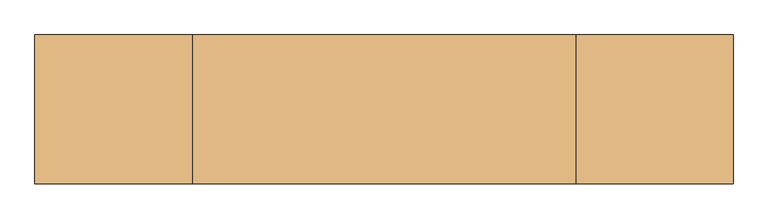
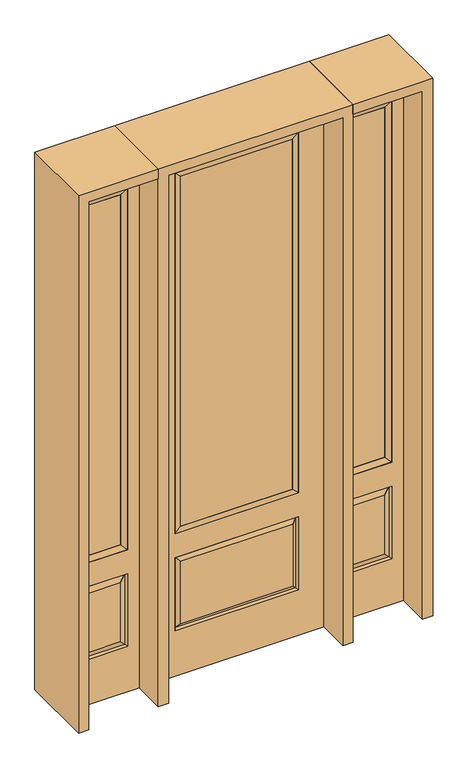
"""IFC4 building model written with IfcOpenShell, lengths in millimetres: door geometry."""

import ifcopenshell
import ifcopenshell.guid

model = None  # the IFC model being written
_history = None  # IfcOwnerHistory: only IFC2X3 demands one
_inside = {}  # id of a spatial element -> (the spatial element, [elements in it])
_under = {}  # id of a project, library or spatial element -> (it, [spatial elements below it])
_declared = {}  # id of a project -> (the project, [libraries it declares])
_typed = {}  # id of a type object -> (the type object, [elements of that type])
_made_of = {}  # id of a material, layer set ... -> (it, [elements and type objects made of it])


def new_model(schema):
    """Start an empty IFC model of exactly this schema.

    Asked for "IFC4X3", IfcOpenShell would pick the latest addendum, in which some entities
    have other attributes; the version numbers below select the first issue.
    IFC2X3 requires an IfcOwnerHistory on every rooted entity: one is made here for all.
    """
    global model, _history
    if schema == "IFC4X3":
        model = ifcopenshell.file(schema_version=(4, 3, 0, 0))
    else:
        model = ifcopenshell.file(schema=schema)
    _inside.clear()
    _under.clear()
    _declared.clear()
    _typed.clear()
    _made_of.clear()
    _history = None
    if model.schema == "IFC2X3":
        org = make("IfcOrganization", Name="unknown")
        user = make(
            "IfcPersonAndOrganization",
            ThePerson=make("IfcPerson", FamilyName="unknown"),
            TheOrganization=org,
        )
        app = make(
            "IfcApplication",
            ApplicationDeveloper=org,
            Version="unknown",
            ApplicationFullName="unknown",
            ApplicationIdentifier="unknown",
        )
        _history = make(
            "IfcOwnerHistory",
            OwningUser=user,
            OwningApplication=app,
            ChangeAction="ADDED",
            CreationDate=0,
        )
    return model


def make(cls, **values):
    """One entity of the class cls with the attributes given. An attribute that is None is left unset."""
    return model.create_entity(
        cls, **{name: value for name, value in values.items() if value is not None}
    )


def rooted(cls, **values):
    """An entity with a GlobalId (a new one), such as an element, a storey or a relation."""
    return make(cls, GlobalId=ifcopenshell.guid.new(), OwnerHistory=_history, **values)


def si_unit(unit_type, name, prefix=None):
    """IfcSIUnit, for example si_unit("LENGTHUNIT", "METRE", prefix="MILLI")."""
    return make("IfcSIUnit", UnitType=unit_type, Prefix=prefix, Name=name)


def assignment(units):
    """IfcUnitAssignment: the units of a project."""
    return None if units is None else make("IfcUnitAssignment", Units=units)


def point(xyz):
    """IfcCartesianPoint."""
    return None if xyz is None else make("IfcCartesianPoint", Coordinates=xyz)


def direction(xyz):
    """IfcDirection."""
    return None if xyz is None else make("IfcDirection", DirectionRatios=xyz)


def frame(location, z_axis=None, x_axis=None):
    """IfcAxis2Placement3D, a coordinate frame: its origin and axes. An axis left out is left unset."""
    return make(
        "IfcAxis2Placement3D",
        Location=point(location),
        Axis=direction(z_axis),
        RefDirection=direction(x_axis),
    )


def origin():
    """The frame at (0, 0, 0) with its axes left unset."""
    return frame((0.0, 0.0, 0.0))


def place(relative_to, where):
    """IfcLocalPlacement: puts the frame where relative to a parent placement (None: the world)."""
    return make(
        "IfcLocalPlacement", PlacementRelTo=relative_to, RelativePlacement=where
    )


def context(
    kind, dimensions, precision=None, world=None, true_north=None, identifier=None
):
    """IfcGeometricRepresentationContext, for example the 3D "Model" context."""
    return make(
        "IfcGeometricRepresentationContext",
        ContextIdentifier=identifier,
        ContextType=kind,
        CoordinateSpaceDimension=dimensions,
        Precision=precision,
        WorldCoordinateSystem=world,
        TrueNorth=true_north,
    )


def project(units=None, contexts=None):
    """IfcProject with its units and contexts."""
    return rooted(
        "IfcProject",
        Name="project",
        RepresentationContexts=contexts,
        UnitsInContext=assignment(units),
    )


def spatial(cls, under=None, at=None, **own):
    """A site, building, storey or space (cls), placed at a placement, below another one or the project."""
    s = rooted(cls, ObjectPlacement=at, **own)
    if under is not None:
        _under.setdefault(under.id(), (under, []))[1].append(s)
    return s


def polyline(points):
    """IfcPolyline through the points."""
    return make("IfcPolyline", Points=[point(p) for p in points])


def outline(outer, holes=None, kind="AREA"):
    """IfcArbitraryClosedProfileDef: a profile drawn as a closed curve; with holes, ...WithVoids."""
    if holes is None:
        return make("IfcArbitraryClosedProfileDef", ProfileType=kind, OuterCurve=outer)
    return make(
        "IfcArbitraryProfileDefWithVoids",
        ProfileType=kind,
        OuterCurve=outer,
        InnerCurves=holes,
    )


def extrude(swept, where, along, depth):
    """IfcExtrudedAreaSolid: the profile swept, set in the frame where, extruded along a direction by depth."""
    return make(
        "IfcExtrudedAreaSolid",
        SweptArea=swept,
        Position=where,
        ExtrudedDirection=direction(along),
        Depth=depth,
    )


def faces_of(points, faces, orient=None, outer=None):
    """IfcFace entities. A face is a list of loops; a loop is a list of indices into points, from 0.

    orient and outer hold one flag for each loop. By default every Orientation is true, the
    first loop of a face is its IfcFaceOuterBound and the others are IfcFaceBound.
    """
    made = []
    for i, loops in enumerate(faces):
        bounds = []
        for j, loop in enumerate(loops):
            is_outer = j == 0 if outer is None else outer[i][j]
            bounds.append(
                make(
                    "IfcFaceOuterBound" if is_outer else "IfcFaceBound",
                    Bound=make("IfcPolyLoop", Polygon=[points[k] for k in loop]),
                    Orientation=True if orient is None else orient[i][j],
                )
            )
        made.append(make("IfcFace", Bounds=bounds))
    return made


def faceted_brep(points, faces, orient=None, outer=None, voids=None):
    """IfcFacetedBrep: a solid bounded by flat faces; with voids (closed shells), ...WithVoids."""
    shared = [point(p) for p in points]
    hull = make("IfcClosedShell", CfsFaces=faces_of(shared, faces, orient, outer))
    if voids is None:
        return make("IfcFacetedBrep", Outer=hull)
    return make(
        "IfcFacetedBrepWithVoids",
        Outer=hull,
        Voids=[
            make(cls, CfsFaces=faces_of(shared, fs, o, b)) for cls, fs, o, b in voids
        ],
    )


def shape(context_of_items, identifier, shape_type, items):
    """IfcShapeRepresentation: the items that make up one representation, for example the "Body"."""
    return make(
        "IfcShapeRepresentation",
        ContextOfItems=context_of_items,
        RepresentationIdentifier=identifier,
        RepresentationType=shape_type,
        Items=items,
    )


def source(mapping_origin, context_of_items, identifier, shape_type, items):
    """IfcRepresentationMap: a shape defined once, which mapped items show again and again."""
    return make(
        "IfcRepresentationMap",
        MappingOrigin=mapping_origin,
        MappedRepresentation=shape(context_of_items, identifier, shape_type, items),
    )


def transform(
    local_origin,
    x_axis=None,
    y_axis=None,
    z_axis=None,
    scale=None,
    scale2=None,
    scale3=None,
    uniform=True,
):
    """IfcCartesianTransformationOperator3D, or its non-uniform kind. x_axis, y_axis, z_axis: its Axis1, 2, 3."""
    if uniform:
        return make(
            "IfcCartesianTransformationOperator3D",
            Axis1=direction(x_axis),
            Axis2=direction(y_axis),
            LocalOrigin=point(local_origin),
            Scale=scale,
            Axis3=direction(z_axis),
        )
    return make(
        "IfcCartesianTransformationOperator3DnonUniform",
        Axis1=direction(x_axis),
        Axis2=direction(y_axis),
        LocalOrigin=point(local_origin),
        Scale=scale,
        Axis3=direction(z_axis),
        Scale2=scale2,
        Scale3=scale3,
    )


def mapped(mapping_source, mapping_target):
    """IfcMappedItem: shows the shape of a source again, moved by a transform."""
    return make(
        "IfcMappedItem", MappingSource=mapping_source, MappingTarget=mapping_target
    )


def made_of(thing, what):
    """Note that an element or type object is made of a material, layer set ...; save() writes the relation."""
    if what is not None:
        _made_of.setdefault(what.id(), (what, []))[1].append(thing)
    return thing


def element(
    cls,
    number,
    at=None,
    inside=None,
    cuts=None,
    type_object=None,
    material=None,
    context=None,
    identifier="Body",
    shape_type=None,
    held_by="IfcProductDefinitionShape",
    body=None,
    shapes=None,
    **own,
):
    """One element of the class cls, such as IfcWall. Its Tag is "e" and its number.

    at: its placement. inside: the storey or other place that contains it. cuts: it is an
    opening in that element (IfcRelVoidsElement). A single representation is given by context,
    identifier, shape_type and body (its items); several are given by shapes. held_by: the class
    of the entity that holds the representations. save() writes the other relations.
    """
    e = rooted(cls, Tag="e%d" % number, ObjectPlacement=at, **own)
    if body is not None:
        shapes = [shape(context, identifier, shape_type, body)]
    if shapes is not None:
        e.Representation = make(held_by, Representations=shapes)
    if inside is not None:
        _inside.setdefault(inside.id(), (inside, []))[1].append(e)
    if cuts is not None:
        rooted(
            "IfcRelVoidsElement", RelatingBuildingElement=cuts, RelatedOpeningElement=e
        )
    if type_object is not None:
        _typed.setdefault(type_object.id(), (type_object, []))[1].append(e)
    return made_of(e, material)


def aggregate(whole, parts):
    """IfcRelAggregates: a whole, such as a stair, and the parts it consists of."""
    return rooted("IfcRelAggregates", RelatingObject=whole, RelatedObjects=parts)


def save(model, path):
    """Write the relations noted so far, then the file.

    IfcRelAggregates (storeys below a building ...), IfcRelContainedInSpatialStructure (elements
    in a storey), IfcRelDefinesByType, IfcRelAssociatesMaterial and IfcRelDeclares: one each for
    every whole, place, type object, material and project.
    """
    for whole, parts in _under.values():
        aggregate(whole, parts)
    for where, things in _inside.values():
        rooted(
            "IfcRelContainedInSpatialStructure",
            RelatedElements=things,
            RelatingStructure=where,
        )
    for kind, things in _typed.values():
        rooted("IfcRelDefinesByType", RelatedObjects=things, RelatingType=kind)
    for what, things in _made_of.values():
        rooted("IfcRelAssociatesMaterial", RelatedObjects=things, RelatingMaterial=what)
    for by, libraries in _declared.values():
        rooted("IfcRelDeclares", RelatingContext=by, RelatedDefinitions=libraries)
    model.write(path)


def door_bb52afd0(model_context):
    return source(origin(), model_context, "Body", "SolidModel", [
        faceted_brep([(425.45, -22.225, 0.0), (730.25, -22.225, 0.0), (730.25, -22.225, 2438.4), (425.45, -22.225, 2438.4), (678.18, -22.225, 2325.624), (678.18, -22.225, 657.098), (477.52, -22.225, 657.098), (477.52, -22.225, 2325.624), (678.18, -22.225, 209.55), (477.52, -22.225, 209.55), (477.52, -22.225, 546.1), (678.18, -22.225, 546.1), (509.2351001, -22.225, 241.2651001), (646.4648999, -22.225, 241.2651001), (646.4648999, -22.225, 514.3848999), (509.2351001, -22.225, 514.3848999), (425.45, 22.225, 0.0), (425.45, 22.225, 2438.4), (730.25, 22.225, 2438.4), (730.25, 22.225, 0.0), (678.18, 22.225, 2325.624), (477.52, 22.225, 2325.624), (477.52, 22.225, 657.098), (678.18, 22.225, 657.098), (477.52, 22.225, 209.55), (678.18, 22.225, 209.55), (678.18, 22.225, 546.1), (477.52, 22.225, 546.1), (646.4648999, 22.225, 241.2651001), (509.2351001, 22.225, 241.2651001), (509.2351001, 22.225, 514.3848999), (646.4648999, 22.225, 514.3848999), (671.0711499, 12.7912373, 216.6588501), (484.6288501, 12.7912373, 216.6588501), (484.6288501, 12.7912373, 538.9911499), (671.0711499, 12.7912373, 538.9911499), (484.6288501, -12.7912373, 216.6588501), (671.0711499, -12.7912373, 216.6588501), (484.6288501, -12.7912373, 538.9911499), (671.0711499, -12.7912373, 538.9911499)], [[[0, 1, 2, 3], [4, 5, 6, 7], [8, 9, 10, 11]], [[12, 13, 14, 15]], [[16, 17, 18, 19], [20, 21, 22, 23], [24, 25, 26, 27]], [[28, 29, 30, 31]], [[1, 0, 16, 19]], [[2, 1, 19, 18]], [[3, 2, 18, 17]], [[0, 3, 17, 16]], [[5, 4, 20, 23]], [[6, 5, 23, 22]], [[7, 6, 22, 21]], [[4, 7, 21, 20]], [[32, 33, 29, 28]], [[33, 32, 25, 24]], [[29, 33, 34, 30]], [[33, 24, 27, 34]], [[30, 34, 35, 31]], [[34, 27, 26, 35]], [[32, 28, 31, 35]], [[25, 32, 35, 26]], [[12, 36, 37, 13]], [[37, 36, 9, 8]], [[36, 12, 15, 38]], [[9, 36, 38, 10]], [[38, 15, 14, 39]], [[10, 38, 39, 11]], [[13, 37, 39, 14]], [[37, 8, 11, 39]]]),
        faceted_brep([(477.52, 22.225, 2325.624), (477.52, -22.225, 2325.624), (678.18, -22.225, 2325.624), (678.18, 22.225, 2325.624), (502.92, 12.7, 2300.224), (652.78, 12.7, 2300.224), (502.92, -12.7, 2300.224), (652.78, -12.7, 2300.224), (678.18, -22.225, 657.098), (678.18, 22.225, 657.098), (652.78, 12.7, 682.498), (652.78, -12.7, 682.498), (477.52, -22.225, 657.098), (477.52, 22.225, 657.098), (502.92, 12.7, 682.498), (502.92, -12.7, 682.498)], [[[0, 1, 2, 3]], [[4, 0, 3, 5]], [[6, 4, 5, 7]], [[1, 6, 7, 2]], [[3, 2, 8, 9]], [[5, 3, 9, 10]], [[7, 5, 10, 11]], [[2, 7, 11, 8]], [[9, 8, 12, 13]], [[10, 9, 13, 14]], [[11, 10, 14, 15]], [[8, 11, 15, 12]], [[13, 12, 1, 0]], [[14, 13, 0, 4]], [[15, 14, 4, 6]], [[12, 15, 6, 1]]]),
        extrude(outline(polyline([(652.78, -12.7), (502.92, -12.7), (502.92, 12.7), (652.78, 12.7), (652.78, -12.7)])), frame((0.0, 0.0, 682.498), z_axis=(0.0, 0.0, 1.0), x_axis=(1.0, 0.0, 0.0)), (0.0, 0.0, 1.0), 1617.726),
        faceted_brep([(-730.25, -22.225, 0.0), (-425.45, -22.225, 0.0), (-425.45, -22.225, 2438.4), (-730.25, -22.225, 2438.4), (-477.52, -22.225, 2325.624), (-477.52, -22.225, 657.098), (-678.18, -22.225, 657.098), (-678.18, -22.225, 2325.624), (-477.52, -22.225, 209.55), (-678.18, -22.225, 209.55), (-678.18, -22.225, 546.1), (-477.52, -22.225, 546.1), (-646.4648999, -22.225, 241.2651001), (-509.2351001, -22.225, 241.2651001), (-509.2351001, -22.225, 514.3848999), (-646.4648999, -22.225, 514.3848999), (-730.25, 22.225, 0.0), (-730.25, 22.225, 2438.4), (-425.45, 22.225, 2438.4), (-425.45, 22.225, 0.0), (-477.52, 22.225, 2325.624), (-678.18, 22.225, 2325.624), (-678.18, 22.225, 657.098), (-477.52, 22.225, 657.098), (-678.18, 22.225, 209.55), (-477.52, 22.225, 209.55), (-477.52, 22.225, 546.1), (-678.18, 22.225, 546.1), (-509.2351001, 22.225, 241.2651001), (-646.4648999, 22.225, 241.2651001), (-646.4648999, 22.225, 514.3848999), (-509.2351001, 22.225, 514.3848999), (-484.6288501, 12.7912373, 216.6588501), (-671.0711499, 12.7912373, 216.6588501), (-671.0711499, 12.7912373, 538.9911499), (-484.6288501, 12.7912373, 538.9911499), (-671.0711499, -12.7912373, 216.6588501), (-484.6288501, -12.7912373, 216.6588501), (-671.0711499, -12.7912373, 538.9911499), (-484.6288501, -12.7912373, 538.9911499)], [[[0, 1, 2, 3], [4, 5, 6, 7], [8, 9, 10, 11]], [[12, 13, 14, 15]], [[16, 17, 18, 19], [20, 21, 22, 23], [24, 25, 26, 27]], [[28, 29, 30, 31]], [[1, 0, 16, 19]], [[2, 1, 19, 18]], [[3, 2, 18, 17]], [[0, 3, 17, 16]], [[5, 4, 20, 23]], [[6, 5, 23, 22]], [[7, 6, 22, 21]], [[4, 7, 21, 20]], [[32, 33, 29, 28]], [[33, 32, 25, 24]], [[29, 33, 34, 30]], [[33, 24, 27, 34]], [[30, 34, 35, 31]], [[34, 27, 26, 35]], [[32, 28, 31, 35]], [[25, 32, 35, 26]], [[12, 36, 37, 13]], [[37, 36, 9, 8]], [[36, 12, 15, 38]], [[9, 36, 38, 10]], [[38, 15, 14, 39]], [[10, 38, 39, 11]], [[13, 37, 39, 14]], [[37, 8, 11, 39]]]),
        faceted_brep([(-678.18, 22.225, 2325.624), (-678.18, -22.225, 2325.624), (-477.52, -22.225, 2325.624), (-477.52, 22.225, 2325.624), (-652.78, 12.7, 2300.224), (-502.92, 12.7, 2300.224), (-652.78, -12.7, 2300.224), (-502.92, -12.7, 2300.224), (-477.52, -22.225, 657.098), (-477.52, 22.225, 657.098), (-502.92, 12.7, 682.498), (-502.92, -12.7, 682.498), (-678.18, -22.225, 657.098), (-678.18, 22.225, 657.098), (-652.78, 12.7, 682.498), (-652.78, -12.7, 682.498)], [[[0, 1, 2, 3]], [[4, 0, 3, 5]], [[6, 4, 5, 7]], [[1, 6, 7, 2]], [[3, 2, 8, 9]], [[5, 3, 9, 10]], [[7, 5, 10, 11]], [[2, 7, 11, 8]], [[9, 8, 12, 13]], [[10, 9, 13, 14]], [[11, 10, 14, 15]], [[8, 11, 15, 12]], [[13, 12, 1, 0]], [[14, 13, 0, 4]], [[15, 14, 4, 6]], [[12, 15, 6, 1]]]),
        extrude(outline(polyline([(-502.92, -12.7), (-652.78, -12.7), (-652.78, 12.7), (-502.92, 12.7), (-502.92, -12.7)])), frame((0.0, 0.0, 682.498), z_axis=(0.0, 0.0, 1.0), x_axis=(1.0, 0.0, 0.0)), (0.0, 0.0, 1.0), 1617.726),
        extrude(outline(polyline([(244.475, -20.32), (-244.475, -20.32), (-244.475, 5.08), (244.475, 5.08), (244.475, -20.32)])), frame((0.0, 0.0, 682.498), z_axis=(0.0, 0.0, 1.0), x_axis=(1.0, 0.0, 0.0)), (0.0, 0.0, 1.0), 1616.202),
        faceted_brep([(-262.7661499, -12.7912373, 216.6588501), (262.7661499, -12.7912373, 216.6588501), (245.26875, -22.225, 234.15625), (-245.26875, -22.225, 234.15625), (-269.875, -22.225, 209.55), (269.875, -22.225, 209.55), (-262.7661499, -12.7912373, 538.9911499), (-269.875, -22.225, 546.1), (245.26875, -22.225, 521.49375), (-245.26875, -22.225, 521.49375), (381.0, -22.225, 2438.4), (-381.0, -22.225, 2438.4), (-381.0, -22.225, 0.0), (381.0, -22.225, 0.0), (269.875, -22.225, 546.1), (269.875, -22.225, 2324.1), (269.875, -22.225, 657.098), (-269.875, -22.225, 657.098), (-269.875, -22.225, 2324.1), (262.7661499, -12.7912373, 538.9911499), (-381.0, 22.225, 2438.4), (-381.0, 22.225, 0.0), (381.0, 22.225, 0.0), (381.0, 22.225, 2438.4), (269.875, 22.225, 2324.1), (269.875, 22.225, 657.098), (-269.875, 22.225, 657.098), (-269.875, 22.225, 2324.1), (-269.875, 22.225, 209.55), (269.875, 22.225, 209.55), (269.875, 22.225, 546.1), (-269.875, 22.225, 546.1), (245.26875, 22.225, 234.15625), (-245.26875, 22.225, 234.15625), (-245.26875, 22.225, 521.49375), (245.26875, 22.225, 521.49375), (-262.7661499, 12.7912373, 216.6588501), (262.7661499, 12.7912373, 216.6588501), (262.7661499, 12.7912373, 538.9911499), (-262.7661499, 12.7912373, 538.9911499)], [[[0, 1, 2, 3]], [[1, 0, 4, 5]], [[4, 0, 6, 7]], [[3, 2, 8, 9]], [[10, 11, 12, 13], [5, 4, 7, 14], [15, 16, 17, 18]], [[1, 5, 14, 19]], [[2, 1, 19, 8]], [[0, 3, 9, 6]], [[7, 6, 19, 14]], [[6, 9, 8, 19]], [[12, 11, 20, 21]], [[13, 12, 21, 22]], [[10, 13, 22, 23]], [[16, 15, 24, 25]], [[17, 16, 25, 26]], [[18, 17, 26, 27]], [[23, 22, 21, 20], [28, 29, 30, 31], [24, 27, 26, 25]], [[32, 33, 34, 35]], [[28, 36, 37, 29]], [[29, 37, 38, 30]], [[39, 31, 30, 38]], [[36, 28, 31, 39]], [[37, 36, 33, 32]], [[33, 36, 39, 34]], [[34, 39, 38, 35]], [[37, 32, 35, 38]], [[11, 10, 23, 20]], [[15, 18, 27, 24]]]),
        faceted_brep([(-269.875, -22.225, 2324.1), (-269.875, 22.225, 2324.1), (-269.875, 22.225, 657.098), (-269.875, -22.225, 657.098), (269.875, 22.225, 657.098), (269.875, -22.225, 657.098), (-244.475, 5.08, 682.498), (244.475, 5.08, 682.498), (269.875, 22.225, 2324.1), (269.875, -22.225, 2324.1), (-244.475, -20.32, 682.498), (244.475, -20.32, 682.498), (-244.475, -20.32, 2298.7), (244.475, -20.32, 2298.7), (-244.475, 5.08, 2298.7), (244.475, 5.08, 2298.7)], [[[0, 1, 2, 3]], [[3, 2, 4, 5]], [[2, 6, 7, 4]], [[5, 4, 8, 9]], [[10, 3, 5, 11]], [[12, 0, 3, 10]], [[11, 5, 9, 13]], [[6, 10, 11, 7]], [[14, 12, 10, 6]], [[7, 11, 13, 15]], [[1, 14, 6, 2]], [[4, 7, 15, 8]], [[9, 8, 1, 0]], [[13, 9, 0, 12]], [[15, 13, 12, 14]], [[8, 15, 14, 1]]]),
        extrude(outline(polyline([(2438.4, -425.45), (2482.85, -425.45), (2482.85, -774.7), (0.0, -774.7), (0.0, -730.25), (2438.4, -730.25), (2438.4, -425.45)])), frame((0.0, -165.1, 0.0), z_axis=(0.0, 1.0, 0.0), x_axis=(0.0, 0.0, 1.0)), (0.0, 0.0, 1.0), 330.2),
        extrude(outline(polyline([(2482.85, -425.45), (0.0, -425.45), (0.0, -381.0), (2438.4, -381.0), (2438.4, 381.0), (0.0, 381.0), (0.0, 425.45), (2482.85, 425.45), (2482.85, -425.45)])), frame((0.0, -165.1, 0.0), z_axis=(0.0, 1.0, 0.0), x_axis=(0.0, 0.0, 1.0)), (0.0, 0.0, 1.0), 330.2),
        extrude(outline(polyline([(0.0, 730.25), (0.0, 774.7), (2482.85, 774.7), (2482.85, 425.45), (2438.4, 425.45), (2438.4, 730.25), (0.0, 730.25)])), frame((0.0, -165.1, 0.0), z_axis=(0.0, 1.0, 0.0), x_axis=(0.0, 0.0, 1.0)), (0.0, 0.0, 1.0), 330.2),
    ])


if __name__ == "__main__":
    model = new_model("IFC4")
    model_context = context("Model", 3, world=origin())
    ifc_project = project(units=[si_unit("LENGTHUNIT", "METRE", prefix="MILLI")], contexts=[model_context])
    site = spatial("IfcSite", under=ifc_project)
    building = spatial("IfcBuilding", under=site)
    placement = place(None, origin())
    door_shape = door_bb52afd0(model_context)
    element("IfcDoor", 1, at=placement, inside=building, context=model_context, shape_type="MappedRepresentation", body=[
        mapped(door_shape, transform((0.0, 0.0, 0.0), x_axis=(1.0, 0.0, 0.0), y_axis=(0.0, 1.0, 0.0), z_axis=(0.0, 0.0, 1.0))),
    ])
    save(model, "model.ifc")
